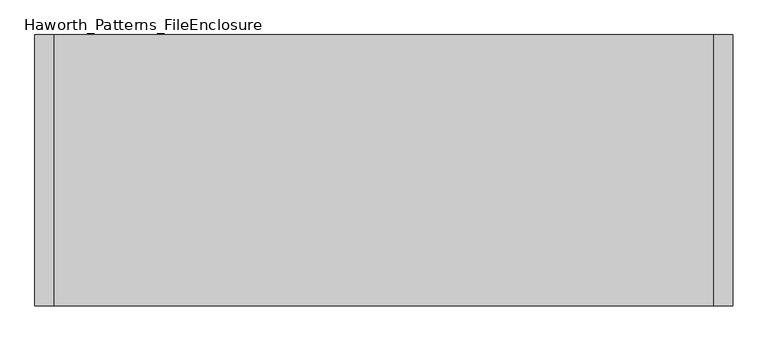
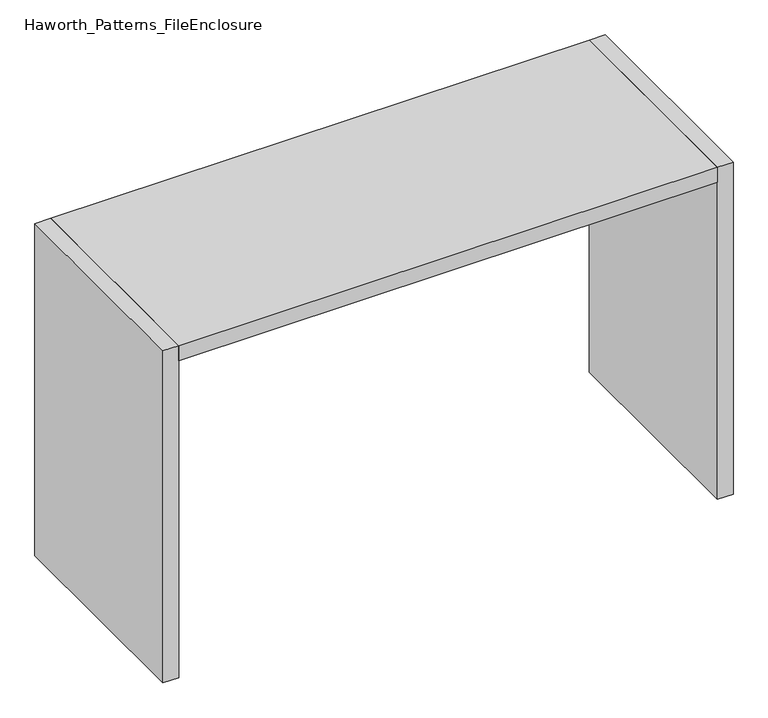
"""IFC4 building model written with IfcOpenShell, lengths in millimetres: furniture geometry, Haworth_Patterns_FileEnclosure."""

from ifc_helpers import new_model, si_unit, frame, origin, origin_with_axes, place, context, project, spatial, polyline, outline, extrude, source, transform, mapped, element, save


def haworth_patterns_fileenclosure_d6e3cfe6(model_context):
    return source(origin(), model_context, "Body", "SweptSolid", [
        extrude(outline(polyline([(1295.4, 0.0), (1295.4, -1066.8), (-1295.4, -1066.8), (-1295.4, 0.0), (1295.4, 0.0)])), frame((0.0, 0.0, 1612.9), z_axis=(0.0, 0.0, 1.0), x_axis=(1.0, 0.0, 0.0)), (0.0, 0.0, 1.0), 76.2),
        extrude(outline(polyline([(1295.4, 0.0), (1371.6, 0.0), (1371.6, -1066.8), (1295.4, -1066.8), (1295.4, 0.0)])), origin_with_axes(), (0.0, 0.0, 1.0), 1689.1),
        extrude(outline(polyline([(-1295.4, 0.0), (-1295.4, -1066.8), (-1371.6, -1066.8), (-1371.6, 0.0), (-1295.4, 0.0)])), origin_with_axes(), (0.0, 0.0, 1.0), 1689.1),
    ])


if __name__ == "__main__":
    model = new_model("IFC4")
    model_context = context("Model", 3, world=origin())
    ifc_project = project(units=[si_unit("LENGTHUNIT", "METRE", prefix="MILLI")], contexts=[model_context])
    site = spatial("IfcSite", under=ifc_project)
    building = spatial("IfcBuilding", under=site)
    placement = place(None, origin())
    haworth_patterns_fileenclosure_shape = haworth_patterns_fileenclosure_d6e3cfe6(model_context)
    element("IfcFurniture", 1, ObjectType="Haworth_Patterns_FileEnclosure", at=placement, inside=building, context=model_context, shape_type="MappedRepresentation", body=[
        mapped(haworth_patterns_fileenclosure_shape, transform((0.0, 0.0, 0.0), x_axis=(1.0, 0.0, 0.0), y_axis=(0.0, 1.0, 0.0), z_axis=(0.0, 0.0, 1.0))),
    ])
    save(model, "model.ifc")
